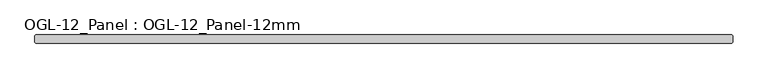
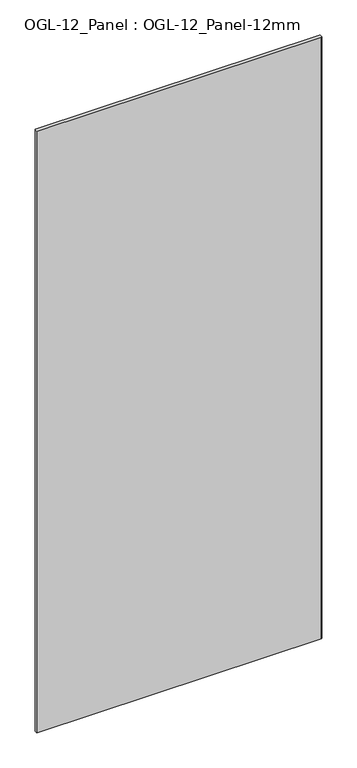
"""IFC4 building model written with IfcOpenShell, lengths in millimetres: plate geometry, OGL-12_Panel : OGL-12_Panel-12mm."""

from ifc_helpers import new_model, si_unit, origin, origin_with_axes, place, context, project, spatial, polyline, outline, extrude, source, transform, mapped, element, save


def ogl_12_panel_ogl_12_panel_12mm_e6c0bf08(model_context):
    return source(origin(), model_context, "Body", "SweptSolid", [
        extrude(outline(polyline([(523.4161148, -34.925), (-523.4161148, -34.925), (-525.0036148, -33.3375), (-525.0036148, -23.8125), (-523.4161148, -22.225), (523.4161148, -22.225), (525.0036148, -23.8125), (525.0036148, -33.3375), (523.4161148, -34.925)])), origin_with_axes(), (0.0, 0.0, 1.0), 2339.9738578),
    ])


if __name__ == "__main__":
    model = new_model("IFC4")
    model_context = context("Model", 3, world=origin())
    ifc_project = project(units=[si_unit("LENGTHUNIT", "METRE", prefix="MILLI")], contexts=[model_context])
    site = spatial("IfcSite", under=ifc_project)
    building = spatial("IfcBuilding", under=site)
    placement = place(None, origin())
    ogl_12_panel_ogl_12_panel_12mm_shape = ogl_12_panel_ogl_12_panel_12mm_e6c0bf08(model_context)
    element("IfcPlate", 1, ObjectType="OGL-12_Panel : OGL-12_Panel-12mm", at=placement, inside=building, context=model_context, shape_type="MappedRepresentation", body=[
        mapped(ogl_12_panel_ogl_12_panel_12mm_shape, transform((0.0, 0.0, 0.0), x_axis=(1.0, 0.0, 0.0), y_axis=(0.0, 1.0, 0.0), z_axis=(0.0, 0.0, 1.0))),
    ])
    save(model, "model.ifc")
